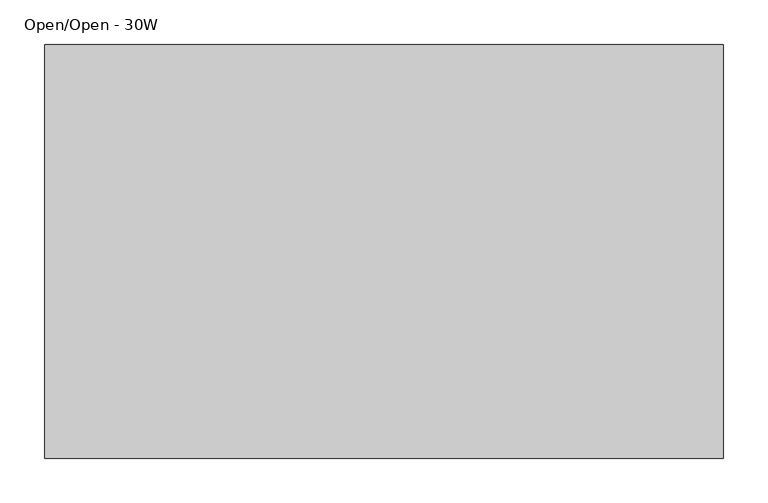
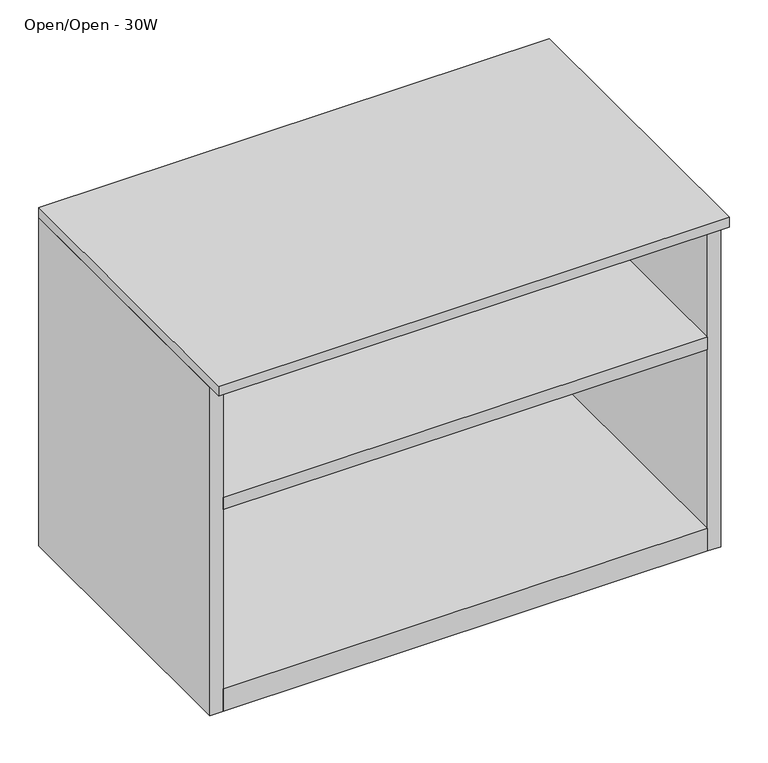
"""IFC4 building model written with IfcOpenShell, lengths in millimetres: furniture geometry, Open/Open - 30W."""

from ifc_helpers import new_model, si_unit, frame, origin, place, context, project, spatial, polyline, outline, extrude, source, transform, mapped, element, save


def open_open_30w_0733cc83(model_context):
    return source(origin(), model_context, "Body", "SweptSolid", [
        extrude(outline(polyline([(1394.7474429, -843.6277597), (1394.7474429, -1262.981712), (672.3968414, -1262.981712), (672.3968414, -843.6277597), (1394.7474429, -843.6277597)])), frame((0.0, 0.0, -1.5875), z_axis=(0.0, 0.0, 1.0), x_axis=(1.0, 0.0, 0.0)), (0.0, 0.0, 1.0), 35.4757464),
        extrude(outline(polyline([(1414.5594429, -820.386741), (1414.5594429, -1285.206741), (652.5594429, -1285.206741), (652.5594429, -820.386741), (1414.5594429, -820.386741)])), frame((0.0, 0.0, 516.3607597), z_axis=(0.0, 0.0, 1.0), x_axis=(1.0, 0.0, 0.0)), (0.0, 0.0, 1.0), 15.4676153),
        extrude(outline(polyline([(1394.7474429, -843.6277597), (1394.7474429, -1262.981712), (672.3968414, -1262.981712), (672.3968414, -843.6277597), (1394.7474429, -843.6277597)])), frame((0.0, 0.0, 316.8017868), z_axis=(0.0, 0.0, 1.0), x_axis=(1.0, 0.0, 0.0)), (0.0, 0.0, 1.0), 19.0499273),
        extrude(outline(polyline([(1394.7474429, -843.6277597), (672.3968414, -843.6277597), (672.3968414, -1262.981712), (652.5594429, -1262.981712), (652.5594429, -820.386741), (1414.5594429, -820.386741), (1414.5594429, -1262.981712), (1394.7474429, -1262.981712), (1394.7474429, -843.6277597)])), frame((0.0, 0.0, -1.5875), z_axis=(0.0, 0.0, 1.0), x_axis=(1.0, 0.0, 0.0)), (0.0, 0.0, 1.0), 517.9482597),
    ])


if __name__ == "__main__":
    model = new_model("IFC4")
    model_context = context("Model", 3, world=origin())
    ifc_project = project(units=[si_unit("LENGTHUNIT", "METRE", prefix="MILLI")], contexts=[model_context])
    site = spatial("IfcSite", under=ifc_project)
    building = spatial("IfcBuilding", under=site)
    placement = place(None, origin())
    open_open_30w_shape = open_open_30w_0733cc83(model_context)
    element("IfcFurniture", 1, ObjectType="Open/Open - 30W", at=placement, inside=building, context=model_context, shape_type="MappedRepresentation", body=[
        mapped(open_open_30w_shape, transform((0.0, 0.0, 0.0), x_axis=(1.0, 0.0, 0.0), y_axis=(0.0, 1.0, 0.0), z_axis=(0.0, 0.0, 1.0))),
    ])
    save(model, "model.ifc")
